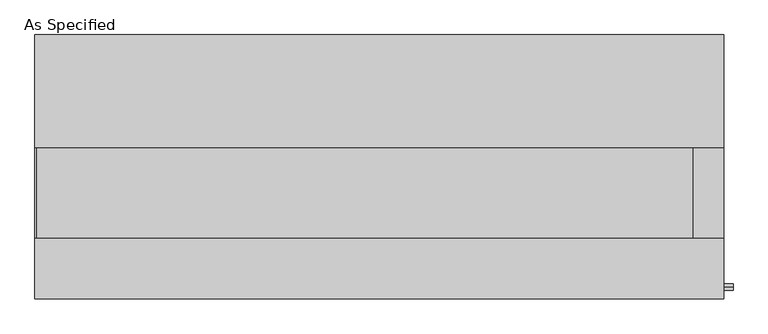
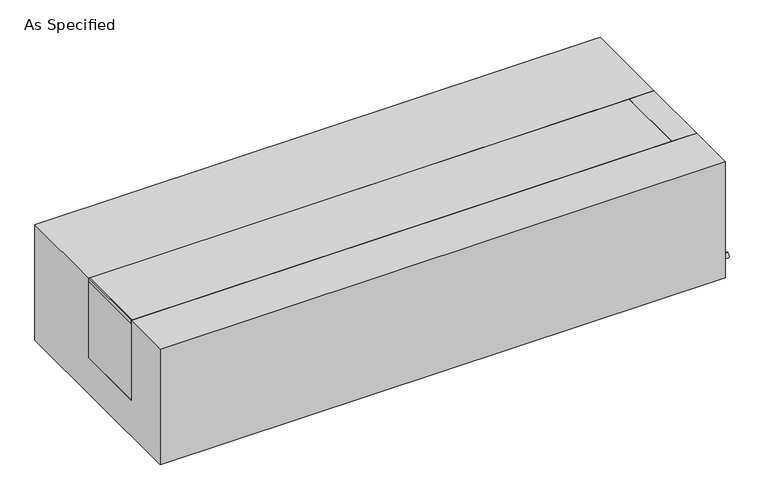
"""IFC4 building model written with IfcOpenShell, lengths in millimetres: proxy geometry, As Specified."""

from ifc_helpers import new_model, si_unit, point, frame, frame_2d, origin, place, context, project, spatial, polyline, circle_curve, trimmed, segment, composite_curve, outline, extrude, source, transform, mapped, element, save


def as_specified_99878e6f(model_context):
    return source(origin(), model_context, "Body", "SweptSolid", [
        extrude(outline(composite_curve([segment(trimmed(circle_curve(frame_2d((-407.9875, -466.725)), 10.5), [point((-407.9875, -456.225))], [point((-407.9875, -477.225))], False, "CARTESIAN"), True, "CONTINUOUS"), segment(trimmed(circle_curve(frame_2d((-407.9875, -466.725)), 10.5), [point((-407.9875, -477.225))], [point((-407.9875, -456.225))], False, "CARTESIAN"), True, "CONTINUOUS")], self_intersect=False)), frame((1166.8125, 0.0, 0.0), z_axis=(1.0, 0.0, 0.0), x_axis=(0.0, 1.0, 0.0)), (0.0, 0.0, 1.0), 31.8403384),
        extrude(outline(polyline([(1064.41875, -241.3), (1064.41875, 63.5), (1166.8125, 63.5), (1166.8125, -241.3), (1064.41875, -241.3)])), frame((0.0, 0.0, -373.0625), z_axis=(0.0, 0.0, 1.0), x_axis=(1.0, 0.0, 0.0)), (0.0, 0.0, 1.0), 347.6625),
        extrude(outline(polyline([(-1162.84375, -241.3), (-1166.8125, -241.3), (-1166.8125, 63.5), (-1162.84375, 63.5), (-1162.84375, -241.3)])), frame((0.0, 0.0, -39.6875), z_axis=(0.0, 0.0, 1.0), x_axis=(1.0, 0.0, 0.0)), (0.0, 0.0, 1.0), 14.2875),
        extrude(outline(polyline([(1064.41875, 63.5), (1064.41875, -241.3), (-1166.8125, -241.3), (-1166.8125, 63.5), (1064.41875, 63.5)])), frame((0.0, 0.0, -373.0625), z_axis=(0.0, 0.0, 1.0), x_axis=(1.0, 0.0, 0.0)), (0.0, 0.0, 1.0), 347.6625),
        extrude(outline(polyline([(447.675, -25.4), (447.675, -530.225), (-447.675, -530.225), (-447.675, -25.4), (-241.3, -25.4), (-241.3, -373.0625), (63.5, -373.0625), (63.5, -25.4), (447.675, -25.4)])), frame((-1166.8125, 0.0, 0.0), z_axis=(1.0, 0.0, 0.0), x_axis=(0.0, 1.0, 0.0)), (0.0, 0.0, 1.0), 2333.625),
    ])


if __name__ == "__main__":
    model = new_model("IFC4")
    model_context = context("Model", 3, world=origin())
    ifc_project = project(units=[si_unit("LENGTHUNIT", "METRE", prefix="MILLI")], contexts=[model_context])
    site = spatial("IfcSite", under=ifc_project)
    building = spatial("IfcBuilding", under=site)
    placement = place(None, origin())
    as_specified_shape = as_specified_99878e6f(model_context)
    element("IfcBuildingElementProxy", 1, Name="As Specified", ObjectType="As Specified", at=placement, inside=building, context=model_context, shape_type="MappedRepresentation", body=[
        mapped(as_specified_shape, transform((0.0, 0.0, 0.0), x_axis=(1.0, 0.0, 0.0), y_axis=(0.0, 1.0, 0.0), z_axis=(0.0, 0.0, 1.0))),
    ])
    save(model, "model.ifc")
